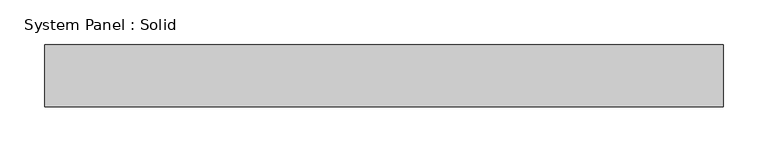
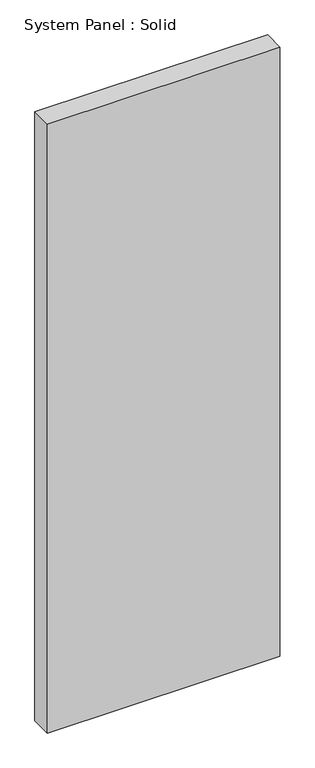
"""IFC4 building model written with IfcOpenShell, lengths in millimetres: plate geometry, System Panel : Solid."""

from ifc_helpers import new_model, si_unit, origin, origin_with_axes, place, context, project, spatial, polyline, outline, extrude, source, transform, mapped, element, save


def system_panel_solid_cd14a339(model_context):
    return source(origin(), model_context, "Body", "SweptSolid", [
        extrude(outline(polyline([(381.0, -9.525), (-381.0, -9.525), (-381.0, 60.325), (381.0, 60.325), (381.0, -9.525)])), origin_with_axes(), (0.0, 0.0, 1.0), 2108.2),
    ])


if __name__ == "__main__":
    model = new_model("IFC4")
    model_context = context("Model", 3, world=origin())
    ifc_project = project(units=[si_unit("LENGTHUNIT", "METRE", prefix="MILLI")], contexts=[model_context])
    site = spatial("IfcSite", under=ifc_project)
    building = spatial("IfcBuilding", under=site)
    placement = place(None, origin())
    system_panel_solid_shape = system_panel_solid_cd14a339(model_context)
    element("IfcPlate", 1, ObjectType="System Panel : Solid", at=placement, inside=building, context=model_context, shape_type="MappedRepresentation", body=[
        mapped(system_panel_solid_shape, transform((0.0, 0.0, 0.0), x_axis=(1.0, 0.0, 0.0), y_axis=(0.0, 1.0, 0.0), z_axis=(0.0, 0.0, 1.0))),
    ])
    save(model, "model.ifc")
